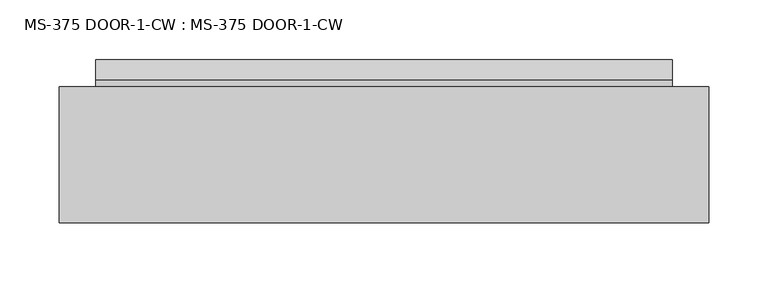
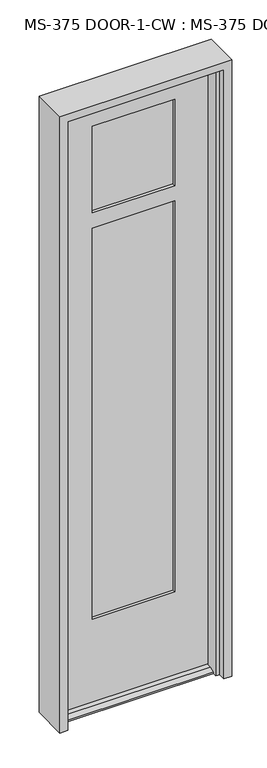
"""IFC4 building model written with IfcOpenShell, lengths in millimetres: plate geometry, MS-375 DOOR-1-CW : MS-375 DOOR-1-CW."""

from ifc_helpers import new_model, si_unit, frame, origin, place, context, project, spatial, polyline, outline, extrude, faceted_brep, source, transform, mapped, element, save


def ms_375_door_1_cw_ms_375_door_1_cw_1e06ce35(model_context):
    return source(origin(), model_context, "Body", "SolidModel", [
        faceted_brep([(242.6218297, -45.24375, 12.7), (242.6218297, -61.8934954, 12.7), (242.6218297, -78.5813408, 4.9183299), (242.6218297, -78.5813408, 0.0003044), (242.6218297, -45.24375, 0.0003044), (242.6218297, 23.01875, 0.0003044), (242.6218297, 23.01875, 4.9183299), (242.6218297, 6.3309046, 12.7), (242.6218297, -0.79375, 12.7), (242.6218297, -0.79375, 0.0003044), (-242.3784698, -0.79375, 12.7), (-242.3784698, 6.3309046, 12.7), (-242.3784698, 23.01875, 4.9183299), (-242.3784698, 23.01875, 0.0003044), (-242.3784698, -0.79375, 0.0003044), (-242.3784698, -78.5813408, 0.0003044), (-242.3784698, -78.5813408, 4.9183299), (-242.3784698, -61.8934954, 12.7), (-242.3784698, -45.24375, 12.7), (-242.3784698, -45.24375, 0.0003044), (245.3904297, -45.24375, 2041.5249999), (242.6218297, -0.79375, 2041.5249999), (-245.1470698, -0.79375, 2041.5249999), (-242.3784698, -45.24375, 2041.5249999), (131.0904297, -0.79375, 1945.4812499), (131.0904297, -10.31875, 1945.4812499), (-130.8470698, -10.31875, 1945.4812499), (-130.8470698, -0.79375, 1945.4812499), (138.2341797, -10.31875, 1952.6249999), (138.2341797, -35.71875, 1952.6249999), (-137.9908198, -35.71875, 1952.6249999), (-137.9908198, -10.31875, 1952.6249999), (131.0904297, -35.71875, 1945.4812499), (131.0904297, -45.24375, 1945.4812499), (-130.8470698, -45.24375, 1945.4812499), (-130.8470698, -35.71875, 1945.4812499), (138.2341797, -35.71875, 1611.3124999), (-137.9908198, -35.71875, 1611.3124999), (-137.9908198, -10.31875, 1611.3124999), (138.2341797, -10.31875, 1611.3124999), (-130.8470698, -0.79375, 1604.1687499), (131.0904297, -0.79375, 1604.1687499), (131.0904297, -10.31875, 1604.1687499), (-130.8470698, -10.31875, 1604.1687499), (131.0904297, -0.79375, 1654.9687499), (-130.8470698, -0.79375, 1654.9687499), (-130.8470698, -10.31875, 1654.9687499), (131.0904297, -10.31875, 1654.9687499), (-137.9908198, -35.71875, 1647.8249999), (138.2341797, -35.71875, 1647.8249999), (138.2341797, -10.31875, 1647.8249999), (-137.9908198, -10.31875, 1647.8249999), (131.0904297, -35.71875, 1654.9687499), (-130.8470698, -35.71875, 1654.9687499), (-130.8470698, -45.24375, 1654.9687499), (131.0904297, -45.24375, 1654.9687499), (-130.8470698, -35.71875, 1604.1687499), (131.0904297, -35.71875, 1604.1687499), (131.0904297, -45.24375, 1604.1687499), (-130.8470698, -45.24375, 1604.1687499), (138.2341797, -35.71875, 283.36875), (138.2341797, -10.31875, 283.36875), (-137.9908198, -10.31875, 283.36875), (-137.9908198, -35.71875, 283.36875), (-130.8470698, -35.71875, 290.5125), (131.0904297, -35.71875, 290.5125), (131.0904297, -45.24375, 290.5125), (-130.8470698, -45.24375, 290.5125), (245.3904297, -45.24375, 0.0), (-245.1470698, -0.79375, 0.0003044), (-130.8470698, -0.79375, 290.5125), (131.0904297, -0.79375, 290.5125), (131.0904297, -10.31875, 290.5125), (-130.8470698, -10.31875, 290.5125)], [[[0, 1, 2, 3, 4]], [[5, 6, 7, 8, 9]], [[10, 11, 12, 13, 14]], [[15, 16, 17, 18, 19]], [[20, 21, 22, 23]], [[24, 25, 26, 27]], [[28, 29, 30, 31]], [[32, 33, 34, 35]], [[36, 37, 38, 39]], [[40, 41, 42, 43]], [[44, 45, 46, 47]], [[48, 49, 50, 51]], [[52, 53, 54, 55]], [[56, 57, 58, 59]], [[60, 61, 62, 63]], [[30, 29, 49, 48], [32, 35, 53, 52]], [[60, 63, 37, 36], [64, 65, 57, 56]], [[66, 65, 64, 67]], [[68, 20, 23, 18, 0, 4], [34, 33, 55, 54], [67, 59, 58, 66]], [[1, 0, 18, 17]], [[2, 1, 17, 16]], [[3, 2, 16, 15]], [[3, 15, 19, 69, 14, 13, 5, 9, 68, 4]], [[6, 5, 13, 12]], [[7, 6, 12, 11]], [[8, 7, 11, 10]], [[69, 22, 21, 8, 10, 14], [27, 45, 44, 24], [70, 71, 41, 40]], [[72, 71, 70, 73]], [[28, 31, 51, 50], [26, 25, 47, 46]], [[62, 61, 39, 38], [72, 73, 43, 42]], [[18, 23, 22, 69, 19]], [[35, 34, 54, 53]], [[67, 64, 56, 59]], [[37, 63, 62, 38]], [[51, 31, 30, 48]], [[27, 26, 46, 45]], [[73, 70, 40, 43]], [[25, 24, 44, 47]], [[71, 72, 42, 41]], [[49, 29, 28, 50]], [[39, 61, 60, 36]], [[33, 32, 52, 55]], [[65, 66, 58, 57]], [[8, 21, 20, 68, 9]]]),
        extrude(outline(polyline([(138.2341797, -35.71875), (-137.9908198, -35.71875), (-137.9908198, -29.41955), (138.2341797, -29.41955), (138.2341797, -35.71875)])), frame((0.0, 0.0, 1647.8249999), z_axis=(0.0, 0.0, 1.0), x_axis=(1.0, 0.0, 0.0)), (0.0, 0.0, 1.0), 304.8),
        extrude(outline(polyline([(-137.9908198, -10.31875), (138.2341797, -10.31875), (138.2341797, -16.61795), (-137.9908198, -16.61795), (-137.9908198, -10.31875)])), frame((0.0, 0.0, 1647.8249999), z_axis=(0.0, 0.0, 1.0), x_axis=(1.0, 0.0, 0.0)), (0.0, 0.0, 1.0), 304.8),
        extrude(outline(polyline([(-137.9908198, -16.61795), (-137.9908198, -10.31875), (138.2341797, -10.31875), (138.2341797, -16.61795), (-137.9908198, -16.61795)])), frame((0.0, 0.0, 283.36875), z_axis=(0.0, 0.0, 1.0), x_axis=(1.0, 0.0, 0.0)), (0.0, 0.0, 1.0), 1327.9437499),
        extrude(outline(polyline([(-137.9908198, -35.71875), (-137.9908198, -29.41955), (138.2341797, -29.41955), (138.2341797, -35.71875), (-137.9908198, -35.71875)])), frame((0.0, 0.0, 283.36875), z_axis=(0.0, 0.0, 1.0), x_axis=(1.0, 0.0, 0.0)), (0.0, 0.0, 1.0), 1327.9437499),
        faceted_brep([(234.9499997, -50.038, 0.0), (247.6499997, -50.038, 0.0), (247.6499997, 0.0, 0.0), (273.0499997, 0.0, 0.0), (273.0499997, -114.3, 0.0), (247.6499997, -114.3, 0.0), (247.6499997, -91.313, 0.0), (234.9499997, -91.313, 0.0), (273.0499997, -114.3, 2070.0999999), (273.0499997, 0.0, 2070.0999999), (-273.0499997, 0.0, 2070.0999999), (-273.0499997, -114.3, 2070.0999999), (234.9499997, -50.038, 2031.9999999), (-234.9499997, -50.038, 2031.9999999), (-234.9499997, -50.038, 0.0), (-247.6499997, -50.038, 0.0), (-247.6499997, -50.038, 2044.6999999), (247.6499997, -50.038, 2044.6999999), (247.6499997, 0.0, 2044.6999999), (-247.6499997, 0.0, 2044.6999999), (-247.6499997, 0.0, 0.0), (-273.0499997, 0.0, 0.0), (-273.0499997, -114.3, 0.0), (-247.6499997, -114.3, 0.0), (-247.6499997, -114.3, 2044.6999999), (247.6499997, -114.3, 2044.6999999), (247.6499997, -91.313, 2044.6999999), (-247.6499997, -91.313, 2044.6999999), (-247.6499997, -91.313, 0.0), (-234.9499997, -91.313, 0.0), (-234.9499997, -91.313, 2031.9999999), (234.9499997, -91.313, 2031.9999999)], [[[0, 1, 2, 3, 4, 5, 6, 7]], [[8, 9, 10, 11]], [[1, 0, 12, 13, 14, 15, 16, 17]], [[2, 1, 17, 18]], [[3, 2, 18, 19, 20, 21, 10, 9]], [[8, 4, 3, 9]], [[5, 4, 8, 11, 22, 23, 24, 25]], [[26, 6, 5, 25]], [[7, 6, 26, 27, 28, 29, 30, 31]], [[0, 7, 31, 12]], [[14, 29, 28, 23, 22, 21, 20, 15]], [[29, 14, 13, 30]], [[23, 28, 27, 24]], [[10, 21, 22, 11]], [[16, 15, 20, 19]], [[27, 26, 25, 24]], [[17, 16, 19, 18]], [[13, 12, 31, 30]]]),
    ])


if __name__ == "__main__":
    model = new_model("IFC4")
    model_context = context("Model", 3, world=origin())
    ifc_project = project(units=[si_unit("LENGTHUNIT", "METRE", prefix="MILLI")], contexts=[model_context])
    site = spatial("IfcSite", under=ifc_project)
    building = spatial("IfcBuilding", under=site)
    placement = place(None, origin())
    ms_375_door_1_cw_ms_375_door_1_cw_shape = ms_375_door_1_cw_ms_375_door_1_cw_1e06ce35(model_context)
    element("IfcPlate", 1, ObjectType="MS-375 DOOR-1-CW : MS-375 DOOR-1-CW", at=placement, inside=building, context=model_context, shape_type="MappedRepresentation", body=[
        mapped(ms_375_door_1_cw_ms_375_door_1_cw_shape, transform((0.0, 0.0, 0.0), x_axis=(1.0, 0.0, 0.0), y_axis=(0.0, 1.0, 0.0), z_axis=(0.0, 0.0, 1.0))),
    ])
    save(model, "model.ifc")
